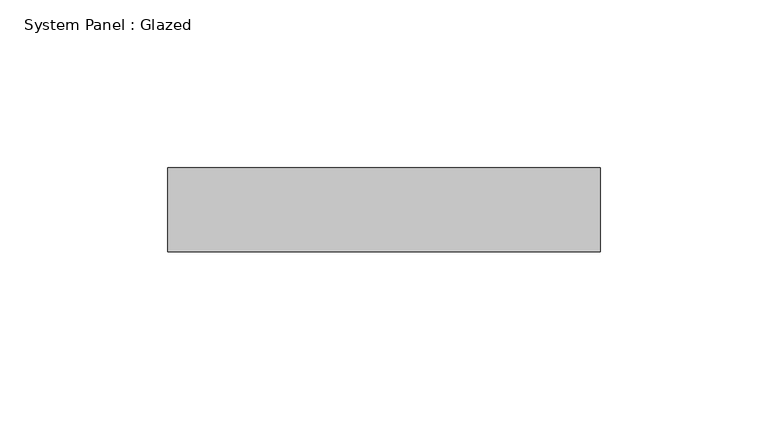
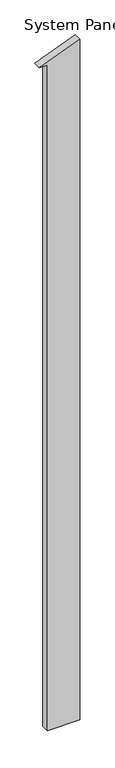
"""IFC4 building model written with IfcOpenShell, lengths in millimetres: plate geometry, System Panel : Glazed."""

import ifcopenshell
import ifcopenshell.guid

model = None  # the IFC model being written
_history = None  # IfcOwnerHistory: only IFC2X3 demands one
_inside = {}  # id of a spatial element -> (the spatial element, [elements in it])
_under = {}  # id of a project, library or spatial element -> (it, [spatial elements below it])
_declared = {}  # id of a project -> (the project, [libraries it declares])
_typed = {}  # id of a type object -> (the type object, [elements of that type])
_made_of = {}  # id of a material, layer set ... -> (it, [elements and type objects made of it])


def new_model(schema):
    """Start an empty IFC model of exactly this schema.

    Asked for "IFC4X3", IfcOpenShell would pick the latest addendum, in which some entities
    have other attributes; the version numbers below select the first issue.
    IFC2X3 requires an IfcOwnerHistory on every rooted entity: one is made here for all.
    """
    global model, _history
    if schema == "IFC4X3":
        model = ifcopenshell.file(schema_version=(4, 3, 0, 0))
    else:
        model = ifcopenshell.file(schema=schema)
    _inside.clear()
    _under.clear()
    _declared.clear()
    _typed.clear()
    _made_of.clear()
    _history = None
    if model.schema == "IFC2X3":
        org = make("IfcOrganization", Name="unknown")
        user = make(
            "IfcPersonAndOrganization",
            ThePerson=make("IfcPerson", FamilyName="unknown"),
            TheOrganization=org,
        )
        app = make(
            "IfcApplication",
            ApplicationDeveloper=org,
            Version="unknown",
            ApplicationFullName="unknown",
            ApplicationIdentifier="unknown",
        )
        _history = make(
            "IfcOwnerHistory",
            OwningUser=user,
            OwningApplication=app,
            ChangeAction="ADDED",
            CreationDate=0,
        )
    return model


def make(cls, **values):
    """One entity of the class cls with the attributes given. An attribute that is None is left unset."""
    return model.create_entity(
        cls, **{name: value for name, value in values.items() if value is not None}
    )


def rooted(cls, **values):
    """An entity with a GlobalId (a new one), such as an element, a storey or a relation."""
    return make(cls, GlobalId=ifcopenshell.guid.new(), OwnerHistory=_history, **values)


def si_unit(unit_type, name, prefix=None):
    """IfcSIUnit, for example si_unit("LENGTHUNIT", "METRE", prefix="MILLI")."""
    return make("IfcSIUnit", UnitType=unit_type, Prefix=prefix, Name=name)


def assignment(units):
    """IfcUnitAssignment: the units of a project."""
    return None if units is None else make("IfcUnitAssignment", Units=units)


def point(xyz):
    """IfcCartesianPoint."""
    return None if xyz is None else make("IfcCartesianPoint", Coordinates=xyz)


def direction(xyz):
    """IfcDirection."""
    return None if xyz is None else make("IfcDirection", DirectionRatios=xyz)


def frame(location, z_axis=None, x_axis=None):
    """IfcAxis2Placement3D, a coordinate frame: its origin and axes. An axis left out is left unset."""
    return make(
        "IfcAxis2Placement3D",
        Location=point(location),
        Axis=direction(z_axis),
        RefDirection=direction(x_axis),
    )


def origin():
    """The frame at (0, 0, 0) with its axes left unset."""
    return frame((0.0, 0.0, 0.0))


def place(relative_to, where):
    """IfcLocalPlacement: puts the frame where relative to a parent placement (None: the world)."""
    return make(
        "IfcLocalPlacement", PlacementRelTo=relative_to, RelativePlacement=where
    )


def context(
    kind, dimensions, precision=None, world=None, true_north=None, identifier=None
):
    """IfcGeometricRepresentationContext, for example the 3D "Model" context."""
    return make(
        "IfcGeometricRepresentationContext",
        ContextIdentifier=identifier,
        ContextType=kind,
        CoordinateSpaceDimension=dimensions,
        Precision=precision,
        WorldCoordinateSystem=world,
        TrueNorth=true_north,
    )


def project(units=None, contexts=None):
    """IfcProject with its units and contexts."""
    return rooted(
        "IfcProject",
        Name="project",
        RepresentationContexts=contexts,
        UnitsInContext=assignment(units),
    )


def spatial(cls, under=None, at=None, **own):
    """A site, building, storey or space (cls), placed at a placement, below another one or the project."""
    s = rooted(cls, ObjectPlacement=at, **own)
    if under is not None:
        _under.setdefault(under.id(), (under, []))[1].append(s)
    return s


def polyline(points):
    """IfcPolyline through the points."""
    return make("IfcPolyline", Points=[point(p) for p in points])


def outline(outer, holes=None, kind="AREA"):
    """IfcArbitraryClosedProfileDef: a profile drawn as a closed curve; with holes, ...WithVoids."""
    if holes is None:
        return make("IfcArbitraryClosedProfileDef", ProfileType=kind, OuterCurve=outer)
    return make(
        "IfcArbitraryProfileDefWithVoids",
        ProfileType=kind,
        OuterCurve=outer,
        InnerCurves=holes,
    )


def extrude(swept, where, along, depth):
    """IfcExtrudedAreaSolid: the profile swept, set in the frame where, extruded along a direction by depth."""
    return make(
        "IfcExtrudedAreaSolid",
        SweptArea=swept,
        Position=where,
        ExtrudedDirection=direction(along),
        Depth=depth,
    )


def shape(context_of_items, identifier, shape_type, items):
    """IfcShapeRepresentation: the items that make up one representation, for example the "Body"."""
    return make(
        "IfcShapeRepresentation",
        ContextOfItems=context_of_items,
        RepresentationIdentifier=identifier,
        RepresentationType=shape_type,
        Items=items,
    )


def source(mapping_origin, context_of_items, identifier, shape_type, items):
    """IfcRepresentationMap: a shape defined once, which mapped items show again and again."""
    return make(
        "IfcRepresentationMap",
        MappingOrigin=mapping_origin,
        MappedRepresentation=shape(context_of_items, identifier, shape_type, items),
    )


def transform(
    local_origin,
    x_axis=None,
    y_axis=None,
    z_axis=None,
    scale=None,
    scale2=None,
    scale3=None,
    uniform=True,
):
    """IfcCartesianTransformationOperator3D, or its non-uniform kind. x_axis, y_axis, z_axis: its Axis1, 2, 3."""
    if uniform:
        return make(
            "IfcCartesianTransformationOperator3D",
            Axis1=direction(x_axis),
            Axis2=direction(y_axis),
            LocalOrigin=point(local_origin),
            Scale=scale,
            Axis3=direction(z_axis),
        )
    return make(
        "IfcCartesianTransformationOperator3DnonUniform",
        Axis1=direction(x_axis),
        Axis2=direction(y_axis),
        LocalOrigin=point(local_origin),
        Scale=scale,
        Axis3=direction(z_axis),
        Scale2=scale2,
        Scale3=scale3,
    )


def mapped(mapping_source, mapping_target):
    """IfcMappedItem: shows the shape of a source again, moved by a transform."""
    return make(
        "IfcMappedItem", MappingSource=mapping_source, MappingTarget=mapping_target
    )


def made_of(thing, what):
    """Note that an element or type object is made of a material, layer set ...; save() writes the relation."""
    if what is not None:
        _made_of.setdefault(what.id(), (what, []))[1].append(thing)
    return thing


def element(
    cls,
    number,
    at=None,
    inside=None,
    cuts=None,
    type_object=None,
    material=None,
    context=None,
    identifier="Body",
    shape_type=None,
    held_by="IfcProductDefinitionShape",
    body=None,
    shapes=None,
    **own,
):
    """One element of the class cls, such as IfcWall. Its Tag is "e" and its number.

    at: its placement. inside: the storey or other place that contains it. cuts: it is an
    opening in that element (IfcRelVoidsElement). A single representation is given by context,
    identifier, shape_type and body (its items); several are given by shapes. held_by: the class
    of the entity that holds the representations. save() writes the other relations.
    """
    e = rooted(cls, Tag="e%d" % number, ObjectPlacement=at, **own)
    if body is not None:
        shapes = [shape(context, identifier, shape_type, body)]
    if shapes is not None:
        e.Representation = make(held_by, Representations=shapes)
    if inside is not None:
        _inside.setdefault(inside.id(), (inside, []))[1].append(e)
    if cuts is not None:
        rooted(
            "IfcRelVoidsElement", RelatingBuildingElement=cuts, RelatedOpeningElement=e
        )
    if type_object is not None:
        _typed.setdefault(type_object.id(), (type_object, []))[1].append(e)
    return made_of(e, material)


def aggregate(whole, parts):
    """IfcRelAggregates: a whole, such as a stair, and the parts it consists of."""
    return rooted("IfcRelAggregates", RelatingObject=whole, RelatedObjects=parts)


def save(model, path):
    """Write the relations noted so far, then the file.

    IfcRelAggregates (storeys below a building ...), IfcRelContainedInSpatialStructure (elements
    in a storey), IfcRelDefinesByType, IfcRelAssociatesMaterial and IfcRelDeclares: one each for
    every whole, place, type object, material and project.
    """
    for whole, parts in _under.values():
        aggregate(whole, parts)
    for where, things in _inside.values():
        rooted(
            "IfcRelContainedInSpatialStructure",
            RelatedElements=things,
            RelatingStructure=where,
        )
    for kind, things in _typed.values():
        rooted("IfcRelDefinesByType", RelatedObjects=things, RelatingType=kind)
    for what, things in _made_of.values():
        rooted("IfcRelAssociatesMaterial", RelatedObjects=things, RelatingMaterial=what)
    for by, libraries in _declared.values():
        rooted("IfcRelDeclares", RelatingContext=by, RelatedDefinitions=libraries)
    model.write(path)


def system_panel_glazed_69e91ef4(model_context):
    return source(origin(), model_context, "Body", "SweptSolid", [
        extrude(outline(polyline([(0.0, -39.5), (0.0, 64.5), (2307.4067796, 64.5), (2256.0254236, -64.5), (2256.0254236, -39.5), (0.0, -39.5)])), frame((0.0, 24.5, 0.0), z_axis=(0.0, 1.0, 0.0), x_axis=(0.0, 0.0, 1.0)), (0.0, 0.0, 1.0), 25.0),
    ])


if __name__ == "__main__":
    model = new_model("IFC4")
    model_context = context("Model", 3, world=origin())
    ifc_project = project(units=[si_unit("LENGTHUNIT", "METRE", prefix="MILLI")], contexts=[model_context])
    site = spatial("IfcSite", under=ifc_project)
    building = spatial("IfcBuilding", under=site)
    placement = place(None, origin())
    system_panel_glazed_shape = system_panel_glazed_69e91ef4(model_context)
    element("IfcPlate", 1, ObjectType="System Panel : Glazed", at=placement, inside=building, context=model_context, shape_type="MappedRepresentation", body=[
        mapped(system_panel_glazed_shape, transform((0.0, 0.0, 0.0), x_axis=(1.0, 0.0, 0.0), y_axis=(0.0, 1.0, 0.0), z_axis=(0.0, 0.0, 1.0))),
    ])
    save(model, "model.ifc")
